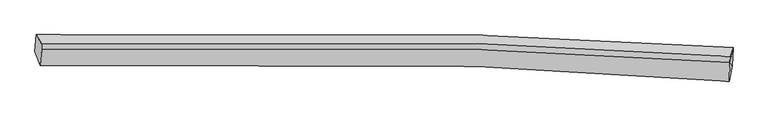
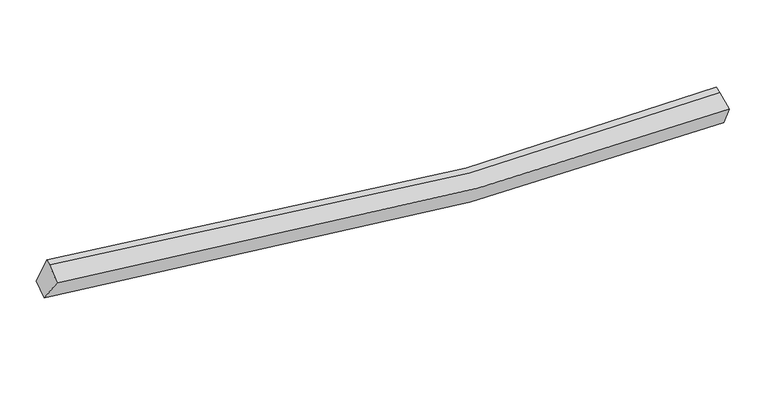
"""IFC4 building model written with IfcOpenShell, lengths in millimetres: proxy geometry."""

from ifc_helpers import new_model, si_unit, frame, origin, place, context, project, spatial, source, transform, mapped, element, save
from ifc_brep_helpers import plane_surface, spline_curve, spline_surface, advanced_brep


def generic_models_7dc8caf9(model_context):
    return source(origin(), model_context, "Body", "AdvancedBrep", [
        advanced_brep(
        [(-8885.5457535, -1995.4977637, 3379.0766518), (-8856.7215518, -1583.5870109, 3579.9529222), (8197.3077039, -1897.481371, 2514.022286), (8171.6819985, -2353.0535541, 2350.1494509), (-8758.6312072, -2337.0174327, 3952.0453635), (8105.5253302, -2725.0767221, 2953.7159614), (-8723.5854404, -1950.8564822, 4179.7075616), (8119.0555763, -2267.979634, 3116.9922116), (-8717.9456489, -1809.5269895, 4227.7896106), (8125.0728862, -2117.1897756, 3168.2927946)],
        [
            (0, 1),
            (1, 2, spline_curve(3, [(-8856.7215518, -1583.5870109, 3579.9529222), (-5271.567811039, -1477.715434593, 2858.083484435), (-1671.948625875, -1481.185730108, 2451.244308025), (4022.400623602, -1658.932498908, 2306.590241461), (6107.457857447, -1760.09365771, 2358.119206957), (8197.3077039, -1897.481371, 2514.022286)], [4, 2, 4], [0.0, 35.6818430543244, 56.22028733063094])),
            (2, 3),
            (3, 0, spline_curve(3, [(8171.6819985, -2353.0535541, 2350.1494509), (6086.25358823, -2201.55111675, 2193.63503274), (4003.860258156, -2089.489294979, 2140.071911725), (-1688.007965679, -1890.701840024, 2275.26314069), (-5291.357219024, -1883.578398071, 2671.801994164), (-8885.5457535, -1995.4977637, 3379.0766518)], [4, 2, 4], [0.0, 20.538444276306535, 56.22028733063094])),
            (4, 0),
            (3, 5),
            (5, 4, spline_curve(3, [(8105.5253302, -2725.0767221, 2953.7159614), (6044.790941451, -2562.140618818, 2789.72481933), (3986.659443389, -2441.465096265, 2730.055191296), (-1639.979429683, -2226.818332787, 2852.281675127), (-5203.233443931, -2218.140758636, 3244.727770299), (-8758.6312072, -2337.0174327, 3952.0453635)], [4, 2, 4], [0.0, 20.424651702846724, 55.908800681986236])),
            (6, 4),
            (5, 7),
            (7, 6, spline_curve(3, [(8119.0555763, -2267.979634, 3116.9922116), (6058.358396669, -2124.554189875, 2937.744934225), (4001.207662532, -2019.417372046, 2871.256857357), (-1620.163729496, -1836.432501086, 2997.915713857), (-5177.226668224, -1835.861602467, 3418.642240187), (-8723.5854404, -1950.8564822, 4179.7075616)], [4, 2, 4], [0.0, 20.301801217714, 55.572519633628715])),
            (8, 6),
            (7, 9),
            (9, 8, spline_curve(3, [(8125.0728862, -2117.1897756, 3168.2927946), (6064.402167512, -1973.101227506, 2989.271113716), (4007.251433614, -1867.964409679, 2922.783036939), (-1614.192391128, -1686.794666246, 3048.824363205), (-5171.381169765, -1689.377221794, 3468.478046181), (-8717.9456489, -1809.5269895, 4227.7896106)], [4, 2, 4], [0.0, 20.293995921376606, 55.551154042501864])),
            (1, 8),
            (9, 2),
            (7, 2),
            (3, 7),
        ],
        [
            spline_surface(3, 3, [[(-8885.5457535, -1995.4977637, 3379.0766518), (-5291.35721876, -1883.578398656, 2671.801994741), (-1688.007965268, -1890.701840442, 2275.26314054), (4003.860257919, -2089.489294738, 2140.071911812), (6086.253588443, -2201.551116431, 2193.635032399), (8171.6819985, -2353.0535541, 2350.1494509)], [(-8875.937686251, -1858.194179436, 3446.035408577), (-5284.760749443, -1748.290744154, 2733.895824735), (-1682.654852258, -1754.196470213, 2333.923529591), (4010.04037987, -1945.970362845, 2195.578021784), (6093.321678227, -2054.398630234, 2248.463090507), (8180.223900324, -2201.196159745, 2404.773729253)], [(-8866.329619049, -1720.890595164, 3512.994165423), (-5278.164280172, -1613.003089644, 2795.989654796), (-1677.301739223, -1617.691100019, 2392.583918593), (4016.220501846, -1802.451430985, 2251.084131708), (6100.389767937, -1907.246144002, 2303.291148653), (8188.765802076, -2049.338765355, 2459.398007647)], [(-8856.7215518, -1583.5870109, 3579.9529222), (-5271.567810854, -1477.715435143, 2858.083484789), (-1671.948626213, -1481.18572979, 2451.244307644), (4022.400623797, -1658.932499092, 2306.590241681), (6107.457857721, -1760.093657805, 2358.119206761), (8197.3077039, -1897.481371, 2514.022286)]], [4, 4], [4, 2, 4], [0.0, 1.480012698670115], [0.0, 35.6818430543244, 56.22028733063094]),
            spline_surface(3, 3, [[(-8758.6312072, -2337.0174327, 3952.0453635), (-5203.233443755, -2218.140758955, 3244.727770791), (-1639.979429596, -2226.81833263, 2852.281675166), (3986.659443339, -2441.465096355, 2730.055191274), (6044.790941616, -2562.140619134, 2789.724819498), (8105.5253302, -2725.0767221, 2953.7159614)], [(-8800.936055959, -2223.177543055, 3761.055792949), (-5232.608035416, -2106.619972211, 3053.752512123), (-1655.988941496, -2114.779501884, 2659.942163611), (3992.39304819, -2324.139829133, 2533.394098107), (6058.611823876, -2441.944118243, 2591.028223786), (8127.577552951, -2601.068999443, 2752.527124555)], [(-8843.240904741, -2109.337653345, 3570.066222351), (-5261.982627099, -1995.0991854, 2862.777253409), (-1671.998453368, -2002.740671188, 2467.602652095), (3998.126653069, -2206.81456196, 2336.733004979), (6072.432706183, -2321.747617323, 2392.33162811), (8149.629775749, -2477.061276757, 2551.338287745)], [(-8885.5457535, -1995.4977637, 3379.0766518), (-5291.35721876, -1883.578398656, 2671.801994741), (-1688.007965268, -1890.701840442, 2275.26314054), (4003.860257919, -2089.489294738, 2140.071911812), (6086.253588443, -2201.551116431, 2193.635032399), (8171.6819985, -2353.0535541, 2350.1494509)]], [4, 4], [4, 2, 4], [0.0, 2.211500547638557], [0.0, 35.48414897913951, 55.908800681986236]),
            spline_surface(3, 3, [[(-8723.5854404, -1950.8564822, 4179.7075616), (-5177.22666832, -1835.861602246, 3418.642240235), (-1620.163729754, -1836.432501477, 2997.915713373), (4001.20766268, -2019.417371821, 2871.256857636), (6058.358396355, -2124.554189876, 2937.744934442), (8119.0555763, -2267.979634, 3116.9922116)], [(-8735.267362695, -2079.576799007, 4103.820162238), (-5185.895593494, -1963.287987789, 3360.670750425), (-1626.768963043, -1966.56111188, 2949.37103399), (3996.358256224, -2160.099946684, 2824.189635535), (6053.835911432, -2270.416332952, 2888.404896122), (8114.545494257, -2420.345330023, 3062.566794861)], [(-8746.949284905, -2208.297115893, 4027.932762862), (-5194.564518581, -2090.714373411, 3302.699260601), (-1633.374196306, -2096.689722228, 2900.826354548), (3991.508849795, -2300.782521492, 2777.122413375), (6049.313426539, -2416.278476058, 2839.064857818), (8110.035412243, -2572.711026077, 3008.141378139)], [(-8758.6312072, -2337.0174327, 3952.0453635), (-5203.233443755, -2218.140758955, 3244.727770791), (-1639.979429596, -2226.81833263, 2852.281675166), (3986.659443339, -2441.465096355, 2730.055191274), (6044.790941616, -2562.140619134, 2789.724819498), (8105.5253302, -2725.0767221, 2953.7159614)]], [4, 4], [4, 2, 4], [0.0, 1.3986025938171], [0.0, 35.270718415914715, 55.572519633628715]),
            spline_surface(3, 3, [[(-8717.9456489, -1809.5269895, 4227.7896106), (-5171.381169648, -1689.377222088, 3468.478045981), (-1614.192391642, -1686.794666086, 3048.824363735), (4007.25143391, -1867.964409771, 2922.783036634), (6064.402167584, -1973.101227826, 2989.271113541), (8125.0728862, -2117.1897756, 3168.2927946)], [(-8719.825579382, -1856.636820414, 4211.762260926), (-5173.329669187, -1738.205348822, 3451.866110725), (-1616.182837674, -1736.673944564, 3031.854813598), (4005.236843505, -1918.448730469, 2905.607643619), (6062.38757718, -2023.585548524, 2972.095720525), (8123.067116239, -2167.453061748, 3151.192600284)], [(-8721.705509918, -1903.746651286, 4195.734911274), (-5175.278168781, -1787.033475512, 3435.254175491), (-1618.173283722, -1786.553222999, 3014.88526351), (4003.222253085, -1968.933051123, 2888.432250652), (6060.372986759, -2074.069869178, 2954.920327458), (8121.061346261, -2217.716347852, 3134.092405916)], [(-8723.5854404, -1950.8564822, 4179.7075616), (-5177.22666832, -1835.861602246, 3418.642240235), (-1620.163729754, -1836.432501477, 2997.915713373), (4001.20766268, -2019.417371821, 2871.256857636), (6058.358396355, -2124.554189876, 2937.744934442), (8119.0555763, -2267.979634, 3116.9922116)]], [4, 4], [4, 2, 4], [0.0, 0.5194558726119145], [0.0, 35.25715812112526, 55.551154042501864]),
            spline_surface(3, 3, [[(-8856.7215518, -1583.5870109, 3579.9529222), (-5271.567810854, -1477.715435143, 2858.083484789), (-1671.948626213, -1481.18572979, 2451.244307644), (4022.400623797, -1658.932499092, 2306.590241681), (6107.457857721, -1760.093657805, 2358.119206761), (8197.3077039, -1897.481371, 2514.022286)], [(-8810.462917513, -1658.900337087, 3795.898485009), (-5238.172263798, -1548.269364112, 3061.548338529), (-1652.696548002, -1549.722041884, 2650.437659667), (4017.350893856, -1728.609802647, 2511.987839992), (6093.105961005, -1831.09618112, 2568.503175701), (8173.229431329, -1970.717505841, 2732.112455546)], [(-8764.204283187, -1734.213663313, 4011.844047791), (-5204.776716704, -1618.823293119, 3265.013192241), (-1633.444469854, -1618.258353992, 2849.631011711), (4012.301163851, -1798.287106216, 2717.385438324), (6078.754064301, -1902.098704511, 2778.887144601), (8149.151158771, -2043.953640759, 2950.202625054)], [(-8717.9456489, -1809.5269895, 4227.7896106), (-5171.381169648, -1689.377222088, 3468.478045981), (-1614.192391642, -1686.794666086, 3048.824363735), (4007.25143391, -1867.964409771, 2922.783036634), (6064.402167584, -1973.101227826, 2989.271113541), (8125.0728862, -2117.1897756, 3168.2927946)]], [4, 4], [4, 2, 4], [0.0, 2.103223037278173], [0.0, 35.468556244481185, 55.88423278000239]),
            plane_surface(frame((-8788.4859204, -1935.2971358, 3863.7144219), z_axis=(-0.9794239247490447, -0.028869236586085235, 0.1997381856534055), x_axis=(-0.06277226945269943, -0.8970438450352337, -0.43746083512945644))),
            plane_surface(frame((8147.1453888, -2094.2169269, 2933.1024307), z_axis=(0.993850815186895, -0.06909617462434298, 0.08652326741765454), x_axis=(0.10990238756240106, 0.520351905293442, -0.8468502582307976))),
            plane_surface(frame((8132.087635, -2448.7033034, 2806.9525413), z_axis=(0.9956378055608313, -0.05610140106989228, 0.07455194790216983), x_axis=(-0.02786456463730905, -0.9413584374848833, -0.33625564413641057))),
            plane_surface(frame((8162.6817596, -2172.8381864, 2660.3879828), z_axis=(0.9934709037126765, -0.08374896525914809, 0.07747047369378898), x_axis=(0.06805081124172054, -0.11000841487303323, -0.9915983237916784))),
        ],
        [
            (0, [[1, 2, 3, 4]]),
            (1, [[5, -4, 6, 7]]),
            (2, [[8, -7, 9, 10]]),
            (3, [[11, -10, 12, 13]]),
            (4, [[14, -13, 15, -2]]),
            (5, [[-1, -5, -8, -11, -14]]),
            (6, [[16, -15, -12]]),
            (7, [[-9, -6, 17]]),
            (8, [[-17, -3, -16]]),
        ],
    ),
    ])


if __name__ == "__main__":
    model = new_model("IFC4")
    model_context = context("Model", 3, world=origin())
    ifc_project = project(units=[si_unit("LENGTHUNIT", "METRE", prefix="MILLI")], contexts=[model_context])
    site = spatial("IfcSite", under=ifc_project)
    building = spatial("IfcBuilding", under=site)
    placement = place(None, origin())
    generic_models_shape = generic_models_7dc8caf9(model_context)
    element("IfcBuildingElementProxy", 1, Name="Generic Models", at=placement, inside=building, context=model_context, shape_type="MappedRepresentation", body=[
        mapped(generic_models_shape, transform((0.0, 0.0, 0.0), x_axis=(1.0, 0.0, 0.0), y_axis=(0.0, 1.0, 0.0), z_axis=(0.0, 0.0, 1.0))),
    ])
    save(model, "model.ifc")
